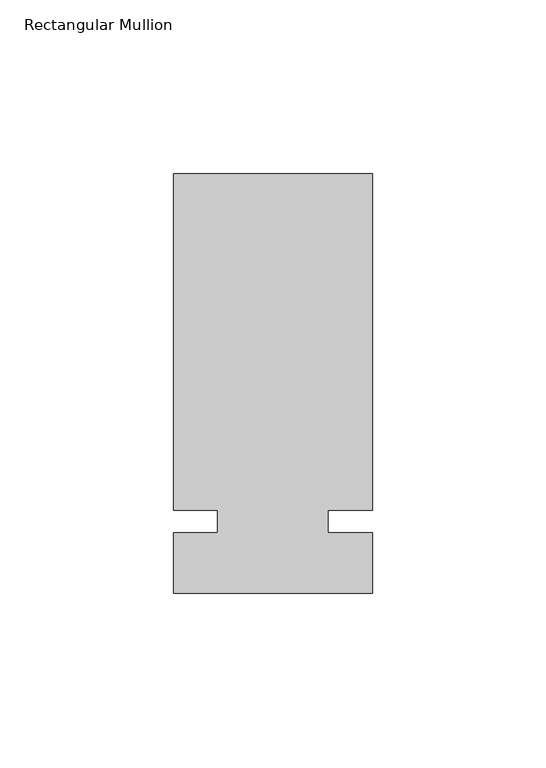
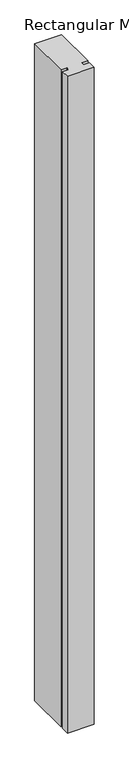
"""IFC4 building model written with IfcOpenShell, lengths in millimetres: member geometry, Rectangular Mullion."""

from ifc_helpers import new_model, si_unit, frame, origin, place, context, project, spatial, polyline, outline, extrude, source, transform, mapped, element, save


def rectangular_mullion_d50336de(model_context):
    return source(origin(), model_context, "Body", "SweptSolid", [
        extrude(outline(polyline([(32.9094027, 100.0125), (32.9094027, 3.175), (20.2076322, 3.175), (20.2076322, -3.175), (32.9094027, -3.175), (32.9094027, -20.6375), (-24.2405973, -20.6375), (-24.2405973, -3.175), (-11.5405973, -3.175), (-11.5405973, 3.175), (-24.2405973, 3.175), (-24.2405973, 100.0125), (32.9094027, 100.0125)])), frame((0.0, 0.0, -1478.28), z_axis=(0.0, 0.0, 1.0), x_axis=(1.0, 0.0, 0.0)), (0.0, 0.0, 1.0), 1478.28),
    ])


if __name__ == "__main__":
    model = new_model("IFC4")
    model_context = context("Model", 3, world=origin())
    ifc_project = project(units=[si_unit("LENGTHUNIT", "METRE", prefix="MILLI")], contexts=[model_context])
    site = spatial("IfcSite", under=ifc_project)
    building = spatial("IfcBuilding", under=site)
    placement = place(None, origin())
    rectangular_mullion_shape = rectangular_mullion_d50336de(model_context)
    element("IfcMember", 1, ObjectType="Rectangular Mullion", at=placement, inside=building, context=model_context, shape_type="MappedRepresentation", body=[
        mapped(rectangular_mullion_shape, transform((0.0, 0.0, 0.0), x_axis=(1.0, 0.0, 0.0), y_axis=(0.0, 1.0, 0.0), z_axis=(0.0, 0.0, 1.0))),
    ])
    save(model, "model.ifc")
